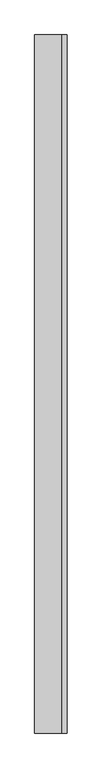
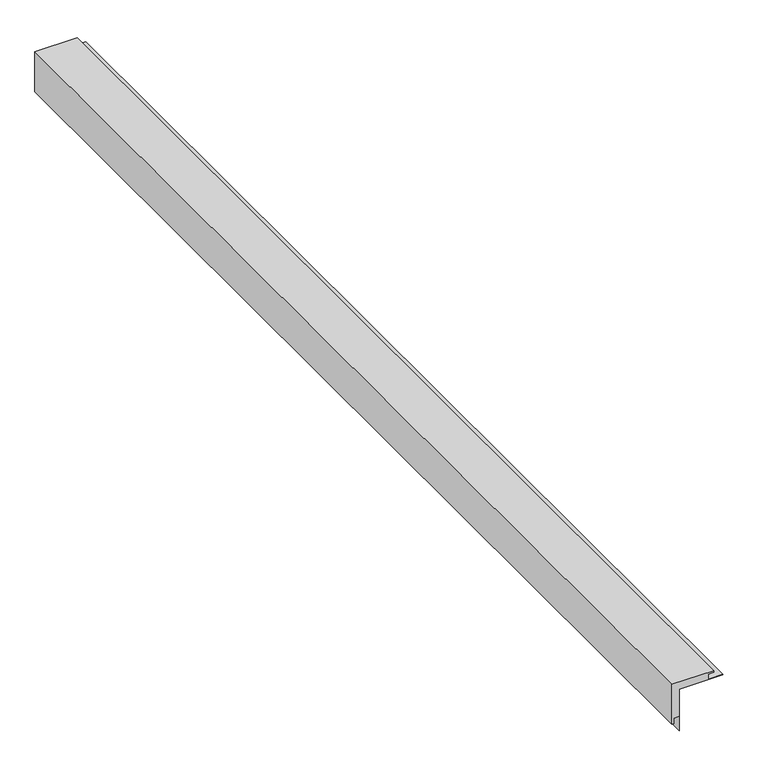
"""IFC4 building model written with IfcOpenShell, lengths in millimetres: proxy geometry."""

import ifcopenshell
import ifcopenshell.guid

model = None  # the IFC model being written
_history = None  # IfcOwnerHistory: only IFC2X3 demands one
_inside = {}  # id of a spatial element -> (the spatial element, [elements in it])
_under = {}  # id of a project, library or spatial element -> (it, [spatial elements below it])
_declared = {}  # id of a project -> (the project, [libraries it declares])
_typed = {}  # id of a type object -> (the type object, [elements of that type])
_made_of = {}  # id of a material, layer set ... -> (it, [elements and type objects made of it])


def new_model(schema):
    """Start an empty IFC model of exactly this schema.

    Asked for "IFC4X3", IfcOpenShell would pick the latest addendum, in which some entities
    have other attributes; the version numbers below select the first issue.
    IFC2X3 requires an IfcOwnerHistory on every rooted entity: one is made here for all.
    """
    global model, _history
    if schema == "IFC4X3":
        model = ifcopenshell.file(schema_version=(4, 3, 0, 0))
    else:
        model = ifcopenshell.file(schema=schema)
    _inside.clear()
    _under.clear()
    _declared.clear()
    _typed.clear()
    _made_of.clear()
    _history = None
    if model.schema == "IFC2X3":
        org = make("IfcOrganization", Name="unknown")
        user = make(
            "IfcPersonAndOrganization",
            ThePerson=make("IfcPerson", FamilyName="unknown"),
            TheOrganization=org,
        )
        app = make(
            "IfcApplication",
            ApplicationDeveloper=org,
            Version="unknown",
            ApplicationFullName="unknown",
            ApplicationIdentifier="unknown",
        )
        _history = make(
            "IfcOwnerHistory",
            OwningUser=user,
            OwningApplication=app,
            ChangeAction="ADDED",
            CreationDate=0,
        )
    return model


def make(cls, **values):
    """One entity of the class cls with the attributes given. An attribute that is None is left unset."""
    return model.create_entity(
        cls, **{name: value for name, value in values.items() if value is not None}
    )


def rooted(cls, **values):
    """An entity with a GlobalId (a new one), such as an element, a storey or a relation."""
    return make(cls, GlobalId=ifcopenshell.guid.new(), OwnerHistory=_history, **values)


def si_unit(unit_type, name, prefix=None):
    """IfcSIUnit, for example si_unit("LENGTHUNIT", "METRE", prefix="MILLI")."""
    return make("IfcSIUnit", UnitType=unit_type, Prefix=prefix, Name=name)


def assignment(units):
    """IfcUnitAssignment: the units of a project."""
    return None if units is None else make("IfcUnitAssignment", Units=units)


def point(xyz):
    """IfcCartesianPoint."""
    return None if xyz is None else make("IfcCartesianPoint", Coordinates=xyz)


def direction(xyz):
    """IfcDirection."""
    return None if xyz is None else make("IfcDirection", DirectionRatios=xyz)


def frame(location, z_axis=None, x_axis=None):
    """IfcAxis2Placement3D, a coordinate frame: its origin and axes. An axis left out is left unset."""
    return make(
        "IfcAxis2Placement3D",
        Location=point(location),
        Axis=direction(z_axis),
        RefDirection=direction(x_axis),
    )


def origin():
    """The frame at (0, 0, 0) with its axes left unset."""
    return frame((0.0, 0.0, 0.0))


def place(relative_to, where):
    """IfcLocalPlacement: puts the frame where relative to a parent placement (None: the world)."""
    return make(
        "IfcLocalPlacement", PlacementRelTo=relative_to, RelativePlacement=where
    )


def context(
    kind, dimensions, precision=None, world=None, true_north=None, identifier=None
):
    """IfcGeometricRepresentationContext, for example the 3D "Model" context."""
    return make(
        "IfcGeometricRepresentationContext",
        ContextIdentifier=identifier,
        ContextType=kind,
        CoordinateSpaceDimension=dimensions,
        Precision=precision,
        WorldCoordinateSystem=world,
        TrueNorth=true_north,
    )


def project(units=None, contexts=None):
    """IfcProject with its units and contexts."""
    return rooted(
        "IfcProject",
        Name="project",
        RepresentationContexts=contexts,
        UnitsInContext=assignment(units),
    )


def spatial(cls, under=None, at=None, **own):
    """A site, building, storey or space (cls), placed at a placement, below another one or the project."""
    s = rooted(cls, ObjectPlacement=at, **own)
    if under is not None:
        _under.setdefault(under.id(), (under, []))[1].append(s)
    return s


def polyline(points):
    """IfcPolyline through the points."""
    return make("IfcPolyline", Points=[point(p) for p in points])


def outline(outer, holes=None, kind="AREA"):
    """IfcArbitraryClosedProfileDef: a profile drawn as a closed curve; with holes, ...WithVoids."""
    if holes is None:
        return make("IfcArbitraryClosedProfileDef", ProfileType=kind, OuterCurve=outer)
    return make(
        "IfcArbitraryProfileDefWithVoids",
        ProfileType=kind,
        OuterCurve=outer,
        InnerCurves=holes,
    )


def extrude(swept, where, along, depth):
    """IfcExtrudedAreaSolid: the profile swept, set in the frame where, extruded along a direction by depth."""
    return make(
        "IfcExtrudedAreaSolid",
        SweptArea=swept,
        Position=where,
        ExtrudedDirection=direction(along),
        Depth=depth,
    )


def shape(context_of_items, identifier, shape_type, items):
    """IfcShapeRepresentation: the items that make up one representation, for example the "Body"."""
    return make(
        "IfcShapeRepresentation",
        ContextOfItems=context_of_items,
        RepresentationIdentifier=identifier,
        RepresentationType=shape_type,
        Items=items,
    )


def source(mapping_origin, context_of_items, identifier, shape_type, items):
    """IfcRepresentationMap: a shape defined once, which mapped items show again and again."""
    return make(
        "IfcRepresentationMap",
        MappingOrigin=mapping_origin,
        MappedRepresentation=shape(context_of_items, identifier, shape_type, items),
    )


def transform(
    local_origin,
    x_axis=None,
    y_axis=None,
    z_axis=None,
    scale=None,
    scale2=None,
    scale3=None,
    uniform=True,
):
    """IfcCartesianTransformationOperator3D, or its non-uniform kind. x_axis, y_axis, z_axis: its Axis1, 2, 3."""
    if uniform:
        return make(
            "IfcCartesianTransformationOperator3D",
            Axis1=direction(x_axis),
            Axis2=direction(y_axis),
            LocalOrigin=point(local_origin),
            Scale=scale,
            Axis3=direction(z_axis),
        )
    return make(
        "IfcCartesianTransformationOperator3DnonUniform",
        Axis1=direction(x_axis),
        Axis2=direction(y_axis),
        LocalOrigin=point(local_origin),
        Scale=scale,
        Axis3=direction(z_axis),
        Scale2=scale2,
        Scale3=scale3,
    )


def mapped(mapping_source, mapping_target):
    """IfcMappedItem: shows the shape of a source again, moved by a transform."""
    return make(
        "IfcMappedItem", MappingSource=mapping_source, MappingTarget=mapping_target
    )


def made_of(thing, what):
    """Note that an element or type object is made of a material, layer set ...; save() writes the relation."""
    if what is not None:
        _made_of.setdefault(what.id(), (what, []))[1].append(thing)
    return thing


def element(
    cls,
    number,
    at=None,
    inside=None,
    cuts=None,
    type_object=None,
    material=None,
    context=None,
    identifier="Body",
    shape_type=None,
    held_by="IfcProductDefinitionShape",
    body=None,
    shapes=None,
    **own,
):
    """One element of the class cls, such as IfcWall. Its Tag is "e" and its number.

    at: its placement. inside: the storey or other place that contains it. cuts: it is an
    opening in that element (IfcRelVoidsElement). A single representation is given by context,
    identifier, shape_type and body (its items); several are given by shapes. held_by: the class
    of the entity that holds the representations. save() writes the other relations.
    """
    e = rooted(cls, Tag="e%d" % number, ObjectPlacement=at, **own)
    if body is not None:
        shapes = [shape(context, identifier, shape_type, body)]
    if shapes is not None:
        e.Representation = make(held_by, Representations=shapes)
    if inside is not None:
        _inside.setdefault(inside.id(), (inside, []))[1].append(e)
    if cuts is not None:
        rooted(
            "IfcRelVoidsElement", RelatingBuildingElement=cuts, RelatedOpeningElement=e
        )
    if type_object is not None:
        _typed.setdefault(type_object.id(), (type_object, []))[1].append(e)
    return made_of(e, material)


def aggregate(whole, parts):
    """IfcRelAggregates: a whole, such as a stair, and the parts it consists of."""
    return rooted("IfcRelAggregates", RelatingObject=whole, RelatedObjects=parts)


def save(model, path):
    """Write the relations noted so far, then the file.

    IfcRelAggregates (storeys below a building ...), IfcRelContainedInSpatialStructure (elements
    in a storey), IfcRelDefinesByType, IfcRelAssociatesMaterial and IfcRelDeclares: one each for
    every whole, place, type object, material and project.
    """
    for whole, parts in _under.values():
        aggregate(whole, parts)
    for where, things in _inside.values():
        rooted(
            "IfcRelContainedInSpatialStructure",
            RelatedElements=things,
            RelatingStructure=where,
        )
    for kind, things in _typed.values():
        rooted("IfcRelDefinesByType", RelatedObjects=things, RelatingType=kind)
    for what, things in _made_of.values():
        rooted("IfcRelAssociatesMaterial", RelatedObjects=things, RelatingMaterial=what)
    for by, libraries in _declared.values():
        rooted("IfcRelDeclares", RelatingContext=by, RelatedDefinitions=libraries)
    model.write(path)


def generic_models_adc2d225(model_context):
    return source(origin(), model_context, "Body", "SweptSolid", [
        extrude(outline(polyline([(1.2053492, 95.25), (19.05, 95.25), (19.05, 114.3), (25.4, 114.3), (25.4, -25.4), (-114.3, -25.4), (-114.3, -19.05), (-95.25, -19.05), (-95.25, -1.2310293), (-145.0620351, -1.2310293), (-145.0620351, 0.0), (0.0, 0.0), (0.0, 143.5337341), (1.2053492, 143.5337341), (1.2053492, 95.25)])), frame((0.0, -3657.6, 0.0), z_axis=(0.0, 1.0, 0.0), x_axis=(0.0, 0.0, 1.0)), (0.0, 0.0, 1.0), 3657.6),
    ])


if __name__ == "__main__":
    model = new_model("IFC4")
    model_context = context("Model", 3, world=origin())
    ifc_project = project(units=[si_unit("LENGTHUNIT", "METRE", prefix="MILLI")], contexts=[model_context])
    site = spatial("IfcSite", under=ifc_project)
    building = spatial("IfcBuilding", under=site)
    placement = place(None, origin())
    generic_models_shape = generic_models_adc2d225(model_context)
    element("IfcBuildingElementProxy", 1, Name="Generic Models", at=placement, inside=building, context=model_context, shape_type="MappedRepresentation", body=[
        mapped(generic_models_shape, transform((0.0, 0.0, 0.0), x_axis=(1.0, 0.0, 0.0), y_axis=(0.0, 1.0, 0.0), z_axis=(0.0, 0.0, 1.0))),
    ])
    save(model, "model.ifc")
